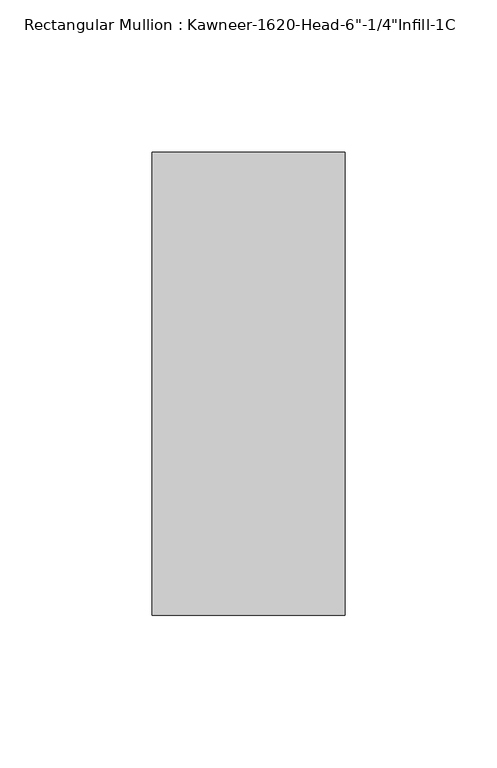
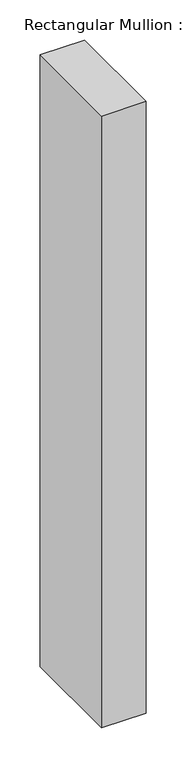
"""IFC4 building model written with IfcOpenShell, lengths in millimetres: member geometry."""

from ifc_helpers import new_model, si_unit, frame, origin, place, context, project, spatial, polyline, outline, extrude, source, transform, mapped, element, save


def member_af160751(model_context):
    return source(origin(), model_context, "Body", "SweptSolid", [
        extrude(outline(polyline([(-22.225, 28.575), (41.275, 28.575), (41.275, -123.825), (-22.225, -123.825), (-22.225, 28.575)])), frame((0.0, 0.0, -926.2317631), z_axis=(0.0, 0.0, 1.0), x_axis=(1.0, 0.0, 0.0)), (0.0, 0.0, 1.0), 926.2317631),
    ])


if __name__ == "__main__":
    model = new_model("IFC4")
    model_context = context("Model", 3, world=origin())
    ifc_project = project(units=[si_unit("LENGTHUNIT", "METRE", prefix="MILLI")], contexts=[model_context])
    site = spatial("IfcSite", under=ifc_project)
    building = spatial("IfcBuilding", under=site)
    placement = place(None, origin())
    member_shape = member_af160751(model_context)
    element("IfcMember", 1, ObjectType="Rectangular Mullion : Kawneer-1620-Head-6\"-1/4\"Infill-1C", at=placement, inside=building, context=model_context, shape_type="MappedRepresentation", body=[
        mapped(member_shape, transform((0.0, 0.0, 0.0), x_axis=(1.0, 0.0, 0.0), y_axis=(0.0, 1.0, 0.0), z_axis=(0.0, 0.0, 1.0))),
    ])
    save(model, "model.ifc")
